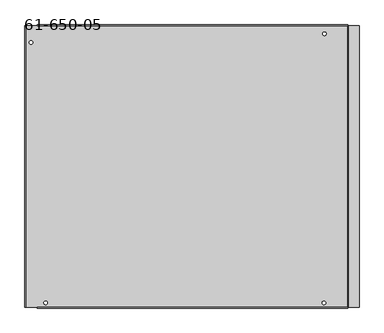
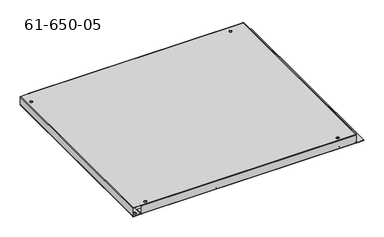
"""IFC4 building model written with IfcOpenShell, lengths in millimetres: proxy geometry, 61-650-05."""

from ifc_helpers import new_model, si_unit, frame, origin, place, context, project, spatial, polyline, circle_curve, source, transform, mapped, element, save
from ifc_brep_helpers import plane_surface, cylinder_surface, revolved_surface, advanced_brep


def proxy_61_650_05_2b84917c(model_context):
    return source(origin(), model_context, "Body", "AdvancedBrep", [
        advanced_brep(
        [(-50.4984142, 546.6549979, -26.32456), (-50.4984142, 546.6549979, -25.47112), (-57.7374142, 546.6549979, -25.47112), (-57.7374142, 546.6549979, -26.32456), (-50.4984142, 546.6549979, 0.0), (-50.4984142, 546.6549979, 0.85344), (-57.7374142, 546.6549979, 0.85344), (-57.7374142, 546.6549979, 0.0), (-51.3518542, 2.5615979, -26.32456), (-51.3518542, 2.5615979, -25.47112), (-58.5908542, 2.5615979, -25.47112), (-58.5908542, 2.5615979, -26.32456), (-51.3518542, 2.5615979, 0.0), (-51.3518542, 2.5615979, 0.85344), (-58.5908542, 2.5615979, 0.85344), (-58.5908542, 2.5615979, 0.0), (-643.7331942, 529.1950379, -26.32456), (-643.7331942, 529.1950379, -25.47112), (-650.9721942, 529.1950379, -25.47112), (-650.9721942, 529.1950379, -26.32456), (-643.7331942, 529.1950379, 0.0), (-643.7331942, 529.1950379, 0.85344), (-650.9721942, 529.1950379, 0.85344), (-650.9721942, 529.1950379, 0.0), (-613.9364542, 2.5615979, -26.32456), (-613.9364542, 2.5615979, -25.47112), (-621.1754542, 2.5615979, -25.47112), (-621.1754542, 2.5615979, -26.32456), (-613.9364542, 2.5615979, 0.0), (-613.9364542, 2.5615979, 0.85344), (-621.1754542, 2.5615979, 0.85344), (-621.1754542, 2.5615979, 0.0), (-121.7276342, 556.3182047, -25.47112), (-121.7276342, 556.3182047, -26.32456), (-112.2026342, 556.3182047, -26.32456), (-112.2026342, 556.3182047, -25.47112), (-434.2029381, 557.3585579, -25.47112), (-434.2029381, 557.3585579, -26.32456), (-424.6779381, 557.3585579, -26.32456), (-424.6779381, 557.3585579, -25.47112), (-653.6976142, 546.3451179, -25.47112), (-653.6976142, 546.3451179, -26.32456), (-644.1726142, 546.3451179, -26.32456), (-644.1726142, 546.3451179, -25.47112), (-653.6976142, 310.8109179, -25.47112), (-653.6976142, 310.8109179, -26.32456), (-644.1726142, 310.8109179, -26.32456), (-644.1726142, 310.8109179, -25.47112), (-650.0908142, 54.1108979, -25.47112), (-650.0908142, 54.1108979, -26.32456), (-640.5658142, 54.1108979, -26.32456), (-640.5658142, 54.1108979, -25.47112), (-578.1224542, 4.5834379, -25.47112), (-578.1224542, 4.5834379, -26.32456), (-568.5974542, 4.5834379, -26.32456), (-568.5974542, 4.5834379, -25.47112), (-489.2224542, 4.5834379, -25.47112), (-489.2224542, 4.5834379, -26.32456), (-479.6974542, 4.5834379, -26.32456), (-479.6974542, 4.5834379, -25.47112), (-422.8243142, -1.0502821, -25.47112), (-422.8243142, -1.0502821, -26.32456), (-413.2993142, -1.0502821, -26.32456), (-413.2993142, -1.0502821, -25.47112), (-270.9780342, 0.5285511, -25.47112), (-270.9780342, 0.5285511, -26.32456), (-261.4530342, 0.5285511, -26.32456), (-261.4530342, 0.5285511, -25.47112), (-152.4348456, 2.8816379, -25.47112), (-152.4348456, 2.8816379, -26.32456), (-142.9098456, 2.8816379, -26.32456), (-142.9098456, 2.8816379, -25.47112), (-407.5843142, -1.0502821, -25.47112), (-407.5843142, -1.0502821, -26.32456), (-398.0593142, -1.0502821, -26.32456), (-398.0593142, -1.0502821, -25.47112), (-468.9126142, 2.0434379, -25.47112), (-468.9126142, 2.0434379, -26.32456), (-459.3876142, 2.0434379, -26.32456), (-459.3876142, 2.0434379, -25.47112), (-598.4526142, 2.0434379, -25.47112), (-598.4526142, 2.0434379, -26.32456), (-588.9276142, 2.0434379, -26.32456), (-588.9276142, 2.0434379, -25.47112), (-653.6976142, 2.8867179, -25.47112), (-653.6976142, 2.8867179, -26.32456), (-644.1726142, 2.8867179, -26.32456), (-644.1726142, 2.8867179, -25.47112), (-650.0908142, 181.1108979, -25.47112), (-650.0908142, 181.1108979, -26.32456), (-640.5658142, 181.1108979, -26.32456), (-640.5658142, 181.1108979, -25.47112), (-653.6976142, 339.3859179, -25.47112), (-653.6976142, 339.3859179, -26.32456), (-644.1726142, 339.3859179, -26.32456), (-644.1726142, 339.3859179, -25.47112), (-286.8149342, 556.3182047, -25.47112), (-286.8149342, 556.3182047, -26.32456), (-277.2899342, 556.3182047, -26.32456), (-277.2899342, 556.3182047, -25.47112), (-655.415701, 234.0507371, -25.47112), (-655.415701, 234.0507371, -26.32456), (-645.890701, 234.0507371, -26.32456), (-645.890701, 234.0507371, -25.47112), (-520.0174142, 549.8147579, -25.47112), (-520.0174142, 549.8147579, -26.32456), (-510.4924142, 549.8147579, -26.32456), (-510.4924142, 549.8147579, -25.47112), (-591.1374142, 549.8147579, -25.47112), (-591.1374142, 549.8147579, -26.32456), (-581.6124142, 549.8147579, -26.32456), (-581.6124142, 549.8147579, -25.47112), (-162.8019742, 556.3080447, -25.47112), (-162.8019742, 556.3080447, -26.32456), (-153.2769742, 556.3080447, -26.32456), (-153.2769742, 556.3080447, -25.47112), (-322.7155694, 547.5707685, -26.32456), (-326.9918791, 553.5320618, -26.32456), (-326.9918791, 553.5320618, -25.47112), (-322.7155694, 547.5707685, -25.47112), (-319.252286, 559.0840276, -26.32456), (-314.9759764, 553.1227343, -26.32456), (-314.9759764, 553.1227343, -25.47112), (-319.252286, 559.0840276, -25.47112), (-634.8736742, 563.2615179, -26.32456), (-7.1482342, 563.2615179, -26.32456), (-7.1482342, 542.1083979, -26.32456), (-634.8736742, 542.1083979, -26.32456), (-447.9588044, 552.6536433, -26.32456), (-443.396548, 554.5196726, -26.32456), (-7.1482342, 563.2615179, -25.47112), (-634.8736742, 563.2615179, -25.47112), (-634.8736742, 542.1083979, -25.47112), (-7.1482342, 542.1083979, -25.47112), (-443.396548, 554.5196726, -25.47112), (-447.9588044, 552.6536433, -25.47112), (-4.5879142, 563.2615179, -26.32456), (-4.5879142, -6.4249221, -26.32456), (-6.2947942, -6.4249221, -24.61768), (-6.2947942, 563.2615179, -24.61768), (-4.5879142, 563.2615179, -25.47112), (16.5652058, 563.2615179, -25.47112), (16.5652058, 563.2615179, -26.32456), (-4.5879142, -6.4249221, -25.47112), (16.5652058, -6.4249221, -25.47112), (-5.4413542, -6.4249221, -24.61768), (-5.4413542, 563.2615179, -24.61768), (16.5652058, -6.4249221, -26.32456), (-6.2947942, 563.2615179, -0.85344), (-7.1482342, 563.2615179, 0.0), (-7.1482342, 563.2615179, 0.85344), (-5.4413542, 563.2615179, -0.85344), (-6.2947942, -6.4249221, -0.85344), (-634.8736742, -6.4249221, -26.32456), (-7.1482342, -6.4249221, -26.32456), (-7.1482342, -8.1318021, -24.61768), (-634.8736742, -8.1318021, -24.61768), (-634.8736742, -6.4249221, -25.47112), (-634.8736742, 14.7281979, -25.47112), (-634.8736742, 14.7281979, -26.32456), (-7.1482342, -6.4249221, -25.47112), (-7.1482342, 14.7281979, -25.47112), (-7.1482342, -7.2783621, -24.61768), (-634.8736742, -7.2783621, -24.61768), (-7.1482342, 14.7281979, -26.32456), (-634.8736742, 564.9683979, -24.61768), (-7.1482342, 564.9683979, -24.61768), (-634.8736742, 564.1149579, -24.61768), (-7.1482342, 564.1149579, -24.61768), (-658.2416742, 563.2615179, -26.32456), (-658.2416742, -6.4249221, -26.32456), (-659.9485542, -6.4249221, -24.61768), (-659.9485542, 563.2615179, -24.61768), (-658.2416742, 563.2615179, -25.47112), (-637.0885542, 563.2615179, -25.47112), (-637.0885542, 563.2615179, -26.32456), (-658.2416742, -6.4249221, -25.47112), (-637.0885542, -6.4249221, -25.47112), (-659.0951142, -6.4249221, -24.61768), (-659.0951142, 563.2615179, -24.61768), (-637.0885542, -6.4249221, -26.32456), (-634.8736742, -7.2783621, -0.85344), (-7.1482342, -7.2783621, -0.85344), (-7.1482342, 564.9683979, -0.85344), (-7.1482342, 564.1149579, -0.85344), (-634.8736742, 564.9683979, -0.85344), (-659.0951142, -6.4249221, -0.85344), (-658.2416742, -6.4249221, 0.0), (-634.8736742, -6.4249221, 0.0), (-634.8736742, -6.4249221, 0.85344), (-658.2416742, -6.4249221, 0.85344), (-659.9485542, -6.4249221, -0.85344), (-659.0951142, 563.2615179, -0.85344), (-659.9485542, 563.2615179, -0.85344), (-658.2416742, 563.2615179, 0.85344), (-634.8736742, 563.2615179, 0.85344), (-634.8736742, 563.2615179, 0.0), (-658.2416742, 563.2615179, 0.0), (-634.8736742, 564.1149579, -0.85344), (-634.8736742, -8.1318021, -0.85344), (-7.1482342, -6.4249221, 0.0), (-7.1482342, -8.1318021, -0.85344), (-7.1482342, -6.4249221, 0.85344), (-5.4413542, -6.4249221, -0.85344)],
        [
            (0, 1),
            (1, 2, circle_curve(frame((-54.1179142, 546.6549979, -25.47112), z_axis=(0.0, 0.0, 1.0), x_axis=(1.0, 0.0, 0.0)), 3.6195)),
            (2, 3),
            (3, 0, circle_curve(frame((-54.1179142, 546.6549979, -26.32456), z_axis=(0.0, 0.0, -1.0), x_axis=(1.0, 0.0, 0.0)), 3.6195)),
            (4, 5),
            (5, 6, circle_curve(frame((-54.1179142, 546.6549979, 0.85344), z_axis=(0.0, 0.0, 1.0), x_axis=(1.0, 0.0, 0.0)), 3.6195)),
            (6, 7),
            (7, 4, circle_curve(frame((-54.1179142, 546.6549979, 0.0), z_axis=(0.0, 0.0, -1.0), x_axis=(1.0, 0.0, 0.0)), 3.6195)),
            (8, 9),
            (9, 10, circle_curve(frame((-54.9713542, 2.5615979, -25.47112), z_axis=(0.0, 0.0, 1.0), x_axis=(1.0, 0.0, 0.0)), 3.6195)),
            (10, 11),
            (11, 8, circle_curve(frame((-54.9713542, 2.5615979, -26.32456), z_axis=(0.0, 0.0, -1.0), x_axis=(1.0, 0.0, 0.0)), 3.6195)),
            (12, 13),
            (13, 14, circle_curve(frame((-54.9713542, 2.5615979, 0.85344), z_axis=(0.0, 0.0, 1.0), x_axis=(1.0, 0.0, 0.0)), 3.6195)),
            (14, 15),
            (15, 12, circle_curve(frame((-54.9713542, 2.5615979, 0.0), z_axis=(0.0, 0.0, -1.0), x_axis=(1.0, 0.0, 0.0)), 3.6195)),
            (16, 17),
            (17, 18, circle_curve(frame((-647.3526942, 529.1950379, -25.47112), z_axis=(0.0, 0.0, 1.0), x_axis=(1.0, 0.0, 0.0)), 3.6195)),
            (18, 19),
            (19, 16, circle_curve(frame((-647.3526942, 529.1950379, -26.32456), z_axis=(0.0, 0.0, -1.0), x_axis=(1.0, 0.0, 0.0)), 3.6195)),
            (20, 21),
            (21, 22, circle_curve(frame((-647.3526942, 529.1950379, 0.85344), z_axis=(0.0, 0.0, 1.0), x_axis=(1.0, 0.0, 0.0)), 3.6195)),
            (22, 23),
            (23, 20, circle_curve(frame((-647.3526942, 529.1950379, 0.0), z_axis=(0.0, 0.0, -1.0), x_axis=(1.0, 0.0, 0.0)), 3.6195)),
            (24, 25),
            (25, 26, circle_curve(frame((-617.5559542, 2.5615979, -25.47112), z_axis=(0.0, 0.0, 1.0), x_axis=(1.0, 0.0, 0.0)), 3.6195)),
            (26, 27),
            (27, 24, circle_curve(frame((-617.5559542, 2.5615979, -26.32456), z_axis=(0.0, 0.0, -1.0), x_axis=(1.0, 0.0, 0.0)), 3.6195)),
            (28, 29),
            (29, 30, circle_curve(frame((-617.5559542, 2.5615979, 0.85344), z_axis=(0.0, 0.0, 1.0), x_axis=(1.0, 0.0, 0.0)), 3.6195)),
            (30, 31),
            (31, 28, circle_curve(frame((-617.5559542, 2.5615979, 0.0), z_axis=(0.0, 0.0, -1.0), x_axis=(1.0, 0.0, 0.0)), 3.6195)),
            (32, 33),
            (33, 34, circle_curve(frame((-116.9651342, 556.3182047, -26.32456), z_axis=(0.0, 0.0, -1.0), x_axis=(-1.0, 0.0, 0.0)), 4.7625)),
            (34, 35),
            (35, 32, circle_curve(frame((-116.9651342, 556.3182047, -25.47112), z_axis=(0.0, 0.0, 1.0), x_axis=(-1.0, 0.0, 0.0)), 4.7625)),
            (36, 37),
            (37, 38, circle_curve(frame((-429.4404381, 557.3585579, -26.32456), z_axis=(0.0, 0.0, -1.0), x_axis=(-1.0, 0.0, 0.0)), 4.7625)),
            (38, 39),
            (39, 36, circle_curve(frame((-429.4404381, 557.3585579, -25.47112), z_axis=(0.0, 0.0, 1.0), x_axis=(-1.0, 0.0, 0.0)), 4.7625)),
            (40, 41),
            (41, 42, circle_curve(frame((-648.9351142, 546.3451179, -26.32456), z_axis=(0.0, 0.0, -1.0), x_axis=(-1.0, 0.0, 0.0)), 4.7625)),
            (42, 43),
            (43, 40, circle_curve(frame((-648.9351142, 546.3451179, -25.47112), z_axis=(0.0, 0.0, 1.0), x_axis=(-1.0, 0.0, 0.0)), 4.7625)),
            (44, 45),
            (45, 46, circle_curve(frame((-648.9351142, 310.8109179, -26.32456), z_axis=(0.0, 0.0, -1.0), x_axis=(-1.0, 0.0, 0.0)), 4.7625)),
            (46, 47),
            (47, 44, circle_curve(frame((-648.9351142, 310.8109179, -25.47112), z_axis=(0.0, 0.0, 1.0), x_axis=(-1.0, 0.0, 0.0)), 4.7625)),
            (48, 49),
            (49, 50, circle_curve(frame((-645.3283142, 54.1108979, -26.32456), z_axis=(0.0, 0.0, -1.0), x_axis=(-1.0, 0.0, 0.0)), 4.7625)),
            (50, 51),
            (51, 48, circle_curve(frame((-645.3283142, 54.1108979, -25.47112), z_axis=(0.0, 0.0, 1.0), x_axis=(-1.0, 0.0, 0.0)), 4.7625)),
            (52, 53),
            (53, 54, circle_curve(frame((-573.3599542, 4.5834379, -26.32456), z_axis=(0.0, 0.0, -1.0), x_axis=(-1.0, 0.0, 0.0)), 4.7625)),
            (54, 55),
            (55, 52, circle_curve(frame((-573.3599542, 4.5834379, -25.47112), z_axis=(0.0, 0.0, 1.0), x_axis=(-1.0, 0.0, 0.0)), 4.7625)),
            (56, 57),
            (57, 58, circle_curve(frame((-484.4599542, 4.5834379, -26.32456), z_axis=(0.0, 0.0, -1.0), x_axis=(-1.0, 0.0, 0.0)), 4.7625)),
            (58, 59),
            (59, 56, circle_curve(frame((-484.4599542, 4.5834379, -25.47112), z_axis=(0.0, 0.0, 1.0), x_axis=(-1.0, 0.0, 0.0)), 4.7625)),
            (60, 61),
            (61, 62, circle_curve(frame((-418.0618142, -1.0502821, -26.32456), z_axis=(0.0, 0.0, -1.0), x_axis=(-1.0, 0.0, 0.0)), 4.7625)),
            (62, 63),
            (63, 60, circle_curve(frame((-418.0618142, -1.0502821, -25.47112), z_axis=(0.0, 0.0, 1.0), x_axis=(-1.0, 0.0, 0.0)), 4.7625)),
            (64, 65),
            (65, 66, circle_curve(frame((-266.2155342, 0.5285511, -26.32456), z_axis=(0.0, 0.0, -1.0), x_axis=(-1.0, 0.0, 0.0)), 4.7625)),
            (66, 67),
            (67, 64, circle_curve(frame((-266.2155342, 0.5285511, -25.47112), z_axis=(0.0, 0.0, 1.0), x_axis=(-1.0, 0.0, 0.0)), 4.7625)),
            (68, 69),
            (69, 70, circle_curve(frame((-147.6723456, 2.8816379, -26.32456), z_axis=(0.0, 0.0, -1.0), x_axis=(-1.0, 0.0, 0.0)), 4.7625)),
            (70, 71),
            (71, 68, circle_curve(frame((-147.6723456, 2.8816379, -25.47112), z_axis=(0.0, 0.0, 1.0), x_axis=(-1.0, 0.0, 0.0)), 4.7625)),
            (72, 73),
            (73, 74, circle_curve(frame((-402.8218142, -1.0502821, -26.32456), z_axis=(0.0, 0.0, -1.0), x_axis=(-1.0, 0.0, 0.0)), 4.7625)),
            (74, 75),
            (75, 72, circle_curve(frame((-402.8218142, -1.0502821, -25.47112), z_axis=(0.0, 0.0, 1.0), x_axis=(-1.0, 0.0, 0.0)), 4.7625)),
            (76, 77),
            (77, 78, circle_curve(frame((-464.1501142, 2.0434379, -26.32456), z_axis=(0.0, 0.0, -1.0), x_axis=(-1.0, 0.0, 0.0)), 4.7625)),
            (78, 79),
            (79, 76, circle_curve(frame((-464.1501142, 2.0434379, -25.47112), z_axis=(0.0, 0.0, 1.0), x_axis=(-1.0, 0.0, 0.0)), 4.7625)),
            (80, 81),
            (81, 82, circle_curve(frame((-593.6901142, 2.0434379, -26.32456), z_axis=(0.0, 0.0, -1.0), x_axis=(-1.0, 0.0, 0.0)), 4.7625)),
            (82, 83),
            (83, 80, circle_curve(frame((-593.6901142, 2.0434379, -25.47112), z_axis=(0.0, 0.0, 1.0), x_axis=(-1.0, 0.0, 0.0)), 4.7625)),
            (84, 85),
            (85, 86, circle_curve(frame((-648.9351142, 2.8867179, -26.32456), z_axis=(0.0, 0.0, -1.0), x_axis=(-1.0, 0.0, 0.0)), 4.7625)),
            (86, 87),
            (87, 84, circle_curve(frame((-648.9351142, 2.8867179, -25.47112), z_axis=(0.0, 0.0, 1.0), x_axis=(-1.0, 0.0, 0.0)), 4.7625)),
            (88, 89),
            (89, 90, circle_curve(frame((-645.3283142, 181.1108979, -26.32456), z_axis=(0.0, 0.0, -1.0), x_axis=(-1.0, 0.0, 0.0)), 4.7625)),
            (90, 91),
            (91, 88, circle_curve(frame((-645.3283142, 181.1108979, -25.47112), z_axis=(0.0, 0.0, 1.0), x_axis=(-1.0, 0.0, 0.0)), 4.7625)),
            (92, 93),
            (93, 94, circle_curve(frame((-648.9351142, 339.3859179, -26.32456), z_axis=(0.0, 0.0, -1.0), x_axis=(-1.0, 0.0, 0.0)), 4.7625)),
            (94, 95),
            (95, 92, circle_curve(frame((-648.9351142, 339.3859179, -25.47112), z_axis=(0.0, 0.0, 1.0), x_axis=(-1.0, 0.0, 0.0)), 4.7625)),
            (96, 97),
            (97, 98, circle_curve(frame((-282.0524342, 556.3182047, -26.32456), z_axis=(0.0, 0.0, -1.0), x_axis=(-1.0, 0.0, 0.0)), 4.7625)),
            (98, 99),
            (99, 96, circle_curve(frame((-282.0524342, 556.3182047, -25.47112), z_axis=(0.0, 0.0, 1.0), x_axis=(-1.0, 0.0, 0.0)), 4.7625)),
            (100, 101),
            (101, 102, circle_curve(frame((-650.653201, 234.0507371, -26.32456), z_axis=(0.0, 0.0, -1.0), x_axis=(-1.0, 0.0, 0.0)), 4.7625)),
            (102, 103),
            (103, 100, circle_curve(frame((-650.653201, 234.0507371, -25.47112), z_axis=(0.0, 0.0, 1.0), x_axis=(-1.0, 0.0, 0.0)), 4.7625)),
            (104, 105),
            (105, 106, circle_curve(frame((-515.2549142, 549.8147579, -26.32456), z_axis=(0.0, 0.0, -1.0), x_axis=(-1.0, 0.0, 0.0)), 4.7625)),
            (106, 107),
            (107, 104, circle_curve(frame((-515.2549142, 549.8147579, -25.47112), z_axis=(0.0, 0.0, 1.0), x_axis=(-1.0, 0.0, 0.0)), 4.7625)),
            (108, 109),
            (109, 110, circle_curve(frame((-586.3749142, 549.8147579, -26.32456), z_axis=(0.0, 0.0, -1.0), x_axis=(-1.0, 0.0, 0.0)), 4.7625)),
            (110, 111),
            (111, 108, circle_curve(frame((-586.3749142, 549.8147579, -25.47112), z_axis=(0.0, 0.0, 1.0), x_axis=(-1.0, 0.0, 0.0)), 4.7625)),
            (112, 113),
            (113, 114, circle_curve(frame((-158.0394742, 556.3080447, -26.32456), z_axis=(0.0, 0.0, -1.0), x_axis=(-1.0, 0.0, 0.0)), 4.7625)),
            (114, 115),
            (115, 112, circle_curve(frame((-158.0394742, 556.3080447, -25.47112), z_axis=(0.0, 0.0, 1.0), x_axis=(-1.0, 0.0, 0.0)), 4.7625)),
            (116, 117),
            (117, 118),
            (118, 119),
            (119, 116),
            (120, 121),
            (121, 122),
            (122, 123),
            (123, 120),
            (117, 120, circle_curve(frame((-323.1220826, 556.3080447, -26.32456), z_axis=(0.0, 0.0, -1.0), x_axis=(-1.0, 0.0, 0.0)), 4.7625)),
            (123, 118, circle_curve(frame((-323.1220826, 556.3080447, -25.47112), z_axis=(0.0, 0.0, 1.0), x_axis=(-1.0, 0.0, 0.0)), 4.7625)),
            (124, 125),
            (125, 126),
            (126, 127),
            (127, 124),
            (116, 121, circle_curve(frame((-318.8457729, 550.3467514, -26.32456), z_axis=(0.0, 0.0, 1.0), x_axis=(0.5828835484389648, -0.8125557020655267, 0.0)), 4.7625)),
            (3, 0, circle_curve(frame((-54.1179142, 546.6549979, -26.32456), z_axis=(0.0, 0.0, 1.0), x_axis=(1.0, 0.0, 0.0)), 3.6195)),
            (33, 34, circle_curve(frame((-116.9651342, 556.3182047, -26.32456), z_axis=(0.0, 0.0, 1.0), x_axis=(-1.0, 0.0, 0.0)), 4.7625)),
            (37, 38, circle_curve(frame((-429.4404381, 557.3585579, -26.32456), z_axis=(0.0, 0.0, 1.0), x_axis=(-1.0, 0.0, 0.0)), 4.7625)),
            (97, 98, circle_curve(frame((-282.0524342, 556.3182047, -26.32456), z_axis=(0.0, 0.0, 1.0), x_axis=(-1.0, 0.0, 0.0)), 4.7625)),
            (105, 106, circle_curve(frame((-515.2549142, 549.8147579, -26.32456), z_axis=(0.0, 0.0, 1.0), x_axis=(-1.0, 0.0, 0.0)), 4.7625)),
            (109, 110, circle_curve(frame((-586.3749142, 549.8147579, -26.32456), z_axis=(0.0, 0.0, 1.0), x_axis=(-1.0, 0.0, 0.0)), 4.7625)),
            (113, 114, circle_curve(frame((-158.0394742, 556.3080447, -26.32456), z_axis=(0.0, 0.0, 1.0), x_axis=(-1.0, 0.0, 0.0)), 4.7625)),
            (128, 129, circle_curve(frame((-444.1349142, 549.8147579, -26.32456), z_axis=(0.0, 0.0, 1.0), x_axis=(0.3785722960205258, -0.9255717242254905, 0.0)), 4.7625)),
            (129, 128, circle_curve(frame((-447.2204381, 557.3585579, -26.32456), z_axis=(0.0, 0.0, 1.0), x_axis=(-0.37857229602053694, 0.925571724225486, 0.0)), 4.7625)),
            (119, 122, circle_curve(frame((-318.8457729, 550.3467514, -25.47112), z_axis=(0.0, 0.0, 1.0), x_axis=(0.5828835484389648, -0.8125557020655267, 0.0)), 4.7625)),
            (130, 131),
            (131, 132),
            (132, 133),
            (133, 130),
            (1, 2, circle_curve(frame((-54.1179142, 546.6549979, -25.47112), z_axis=(0.0, 0.0, -1.0), x_axis=(1.0, 0.0, 0.0)), 3.6195)),
            (35, 32, circle_curve(frame((-116.9651342, 556.3182047, -25.47112), z_axis=(0.0, 0.0, -1.0), x_axis=(-1.0, 0.0, 0.0)), 4.7625)),
            (39, 36, circle_curve(frame((-429.4404381, 557.3585579, -25.47112), z_axis=(0.0, 0.0, -1.0), x_axis=(-1.0, 0.0, 0.0)), 4.7625)),
            (99, 96, circle_curve(frame((-282.0524342, 556.3182047, -25.47112), z_axis=(0.0, 0.0, -1.0), x_axis=(-1.0, 0.0, 0.0)), 4.7625)),
            (107, 104, circle_curve(frame((-515.2549142, 549.8147579, -25.47112), z_axis=(0.0, 0.0, -1.0), x_axis=(-1.0, 0.0, 0.0)), 4.7625)),
            (111, 108, circle_curve(frame((-586.3749142, 549.8147579, -25.47112), z_axis=(0.0, 0.0, -1.0), x_axis=(-1.0, 0.0, 0.0)), 4.7625)),
            (115, 112, circle_curve(frame((-158.0394742, 556.3080447, -25.47112), z_axis=(0.0, 0.0, -1.0), x_axis=(-1.0, 0.0, 0.0)), 4.7625)),
            (134, 135, circle_curve(frame((-444.1349142, 549.8147579, -25.47112), z_axis=(0.0, 0.0, -1.0), x_axis=(0.3785722960205258, -0.9255717242254905, 0.0)), 4.7625)),
            (135, 134, circle_curve(frame((-447.2204381, 557.3585579, -25.47112), z_axis=(0.0, 0.0, -1.0), x_axis=(-0.37857229602053694, 0.925571724225486, 0.0)), 4.7625)),
            (134, 129),
            (128, 135),
            (100, 103, circle_curve(frame((-650.653201, 234.0507371, -25.47112), z_axis=(0.0, 0.0, 1.0), x_axis=(-1.0, 0.0, 0.0)), 4.7625)),
            (102, 101, circle_curve(frame((-650.653201, 234.0507371, -26.32456), z_axis=(0.0, 0.0, -1.0), x_axis=(-1.0, 0.0, 0.0)), 4.7625)),
            (92, 95, circle_curve(frame((-648.9351142, 339.3859179, -25.47112), z_axis=(0.0, 0.0, 1.0), x_axis=(-1.0, 0.0, 0.0)), 4.7625)),
            (94, 93, circle_curve(frame((-648.9351142, 339.3859179, -26.32456), z_axis=(0.0, 0.0, -1.0), x_axis=(-1.0, 0.0, 0.0)), 4.7625)),
            (88, 91, circle_curve(frame((-645.3283142, 181.1108979, -25.47112), z_axis=(0.0, 0.0, 1.0), x_axis=(-1.0, 0.0, 0.0)), 4.7625)),
            (90, 89, circle_curve(frame((-645.3283142, 181.1108979, -26.32456), z_axis=(0.0, 0.0, -1.0), x_axis=(-1.0, 0.0, 0.0)), 4.7625)),
            (84, 87, circle_curve(frame((-648.9351142, 2.8867179, -25.47112), z_axis=(0.0, 0.0, 1.0), x_axis=(-1.0, 0.0, 0.0)), 4.7625)),
            (86, 85, circle_curve(frame((-648.9351142, 2.8867179, -26.32456), z_axis=(0.0, 0.0, -1.0), x_axis=(-1.0, 0.0, 0.0)), 4.7625)),
            (80, 83, circle_curve(frame((-593.6901142, 2.0434379, -25.47112), z_axis=(0.0, 0.0, 1.0), x_axis=(-1.0, 0.0, 0.0)), 4.7625)),
            (82, 81, circle_curve(frame((-593.6901142, 2.0434379, -26.32456), z_axis=(0.0, 0.0, -1.0), x_axis=(-1.0, 0.0, 0.0)), 4.7625)),
            (76, 79, circle_curve(frame((-464.1501142, 2.0434379, -25.47112), z_axis=(0.0, 0.0, 1.0), x_axis=(-1.0, 0.0, 0.0)), 4.7625)),
            (78, 77, circle_curve(frame((-464.1501142, 2.0434379, -26.32456), z_axis=(0.0, 0.0, -1.0), x_axis=(-1.0, 0.0, 0.0)), 4.7625)),
            (72, 75, circle_curve(frame((-402.8218142, -1.0502821, -25.47112), z_axis=(0.0, 0.0, 1.0), x_axis=(-1.0, 0.0, 0.0)), 4.7625)),
            (74, 73, circle_curve(frame((-402.8218142, -1.0502821, -26.32456), z_axis=(0.0, 0.0, -1.0), x_axis=(-1.0, 0.0, 0.0)), 4.7625)),
            (68, 71, circle_curve(frame((-147.6723456, 2.8816379, -25.47112), z_axis=(0.0, 0.0, 1.0), x_axis=(-1.0, 0.0, 0.0)), 4.7625)),
            (70, 69, circle_curve(frame((-147.6723456, 2.8816379, -26.32456), z_axis=(0.0, 0.0, -1.0), x_axis=(-1.0, 0.0, 0.0)), 4.7625)),
            (64, 67, circle_curve(frame((-266.2155342, 0.5285511, -25.47112), z_axis=(0.0, 0.0, 1.0), x_axis=(-1.0, 0.0, 0.0)), 4.7625)),
            (66, 65, circle_curve(frame((-266.2155342, 0.5285511, -26.32456), z_axis=(0.0, 0.0, -1.0), x_axis=(-1.0, 0.0, 0.0)), 4.7625)),
            (60, 63, circle_curve(frame((-418.0618142, -1.0502821, -25.47112), z_axis=(0.0, 0.0, 1.0), x_axis=(-1.0, 0.0, 0.0)), 4.7625)),
            (62, 61, circle_curve(frame((-418.0618142, -1.0502821, -26.32456), z_axis=(0.0, 0.0, -1.0), x_axis=(-1.0, 0.0, 0.0)), 4.7625)),
            (56, 59, circle_curve(frame((-484.4599542, 4.5834379, -25.47112), z_axis=(0.0, 0.0, 1.0), x_axis=(-1.0, 0.0, 0.0)), 4.7625)),
            (58, 57, circle_curve(frame((-484.4599542, 4.5834379, -26.32456), z_axis=(0.0, 0.0, -1.0), x_axis=(-1.0, 0.0, 0.0)), 4.7625)),
            (52, 55, circle_curve(frame((-573.3599542, 4.5834379, -25.47112), z_axis=(0.0, 0.0, 1.0), x_axis=(-1.0, 0.0, 0.0)), 4.7625)),
            (54, 53, circle_curve(frame((-573.3599542, 4.5834379, -26.32456), z_axis=(0.0, 0.0, -1.0), x_axis=(-1.0, 0.0, 0.0)), 4.7625)),
            (48, 51, circle_curve(frame((-645.3283142, 54.1108979, -25.47112), z_axis=(0.0, 0.0, 1.0), x_axis=(-1.0, 0.0, 0.0)), 4.7625)),
            (50, 49, circle_curve(frame((-645.3283142, 54.1108979, -26.32456), z_axis=(0.0, 0.0, -1.0), x_axis=(-1.0, 0.0, 0.0)), 4.7625)),
            (44, 47, circle_curve(frame((-648.9351142, 310.8109179, -25.47112), z_axis=(0.0, 0.0, 1.0), x_axis=(-1.0, 0.0, 0.0)), 4.7625)),
            (46, 45, circle_curve(frame((-648.9351142, 310.8109179, -26.32456), z_axis=(0.0, 0.0, -1.0), x_axis=(-1.0, 0.0, 0.0)), 4.7625)),
            (40, 43, circle_curve(frame((-648.9351142, 546.3451179, -25.47112), z_axis=(0.0, 0.0, 1.0), x_axis=(-1.0, 0.0, 0.0)), 4.7625)),
            (42, 41, circle_curve(frame((-648.9351142, 546.3451179, -26.32456), z_axis=(0.0, 0.0, -1.0), x_axis=(-1.0, 0.0, 0.0)), 4.7625)),
            (28, 31, circle_curve(frame((-617.5559542, 2.5615979, 0.0), z_axis=(0.0, 0.0, -1.0), x_axis=(1.0, 0.0, 0.0)), 3.6195)),
            (30, 29, circle_curve(frame((-617.5559542, 2.5615979, 0.85344), z_axis=(0.0, 0.0, 1.0), x_axis=(1.0, 0.0, 0.0)), 3.6195)),
            (24, 27, circle_curve(frame((-617.5559542, 2.5615979, -26.32456), z_axis=(0.0, 0.0, -1.0), x_axis=(1.0, 0.0, 0.0)), 3.6195)),
            (26, 25, circle_curve(frame((-617.5559542, 2.5615979, -25.47112), z_axis=(0.0, 0.0, 1.0), x_axis=(1.0, 0.0, 0.0)), 3.6195)),
            (20, 23, circle_curve(frame((-647.3526942, 529.1950379, 0.0), z_axis=(0.0, 0.0, -1.0), x_axis=(1.0, 0.0, 0.0)), 3.6195)),
            (22, 21, circle_curve(frame((-647.3526942, 529.1950379, 0.85344), z_axis=(0.0, 0.0, 1.0), x_axis=(1.0, 0.0, 0.0)), 3.6195)),
            (16, 19, circle_curve(frame((-647.3526942, 529.1950379, -26.32456), z_axis=(0.0, 0.0, -1.0), x_axis=(1.0, 0.0, 0.0)), 3.6195)),
            (18, 17, circle_curve(frame((-647.3526942, 529.1950379, -25.47112), z_axis=(0.0, 0.0, 1.0), x_axis=(1.0, 0.0, 0.0)), 3.6195)),
            (12, 15, circle_curve(frame((-54.9713542, 2.5615979, 0.0), z_axis=(0.0, 0.0, -1.0), x_axis=(1.0, 0.0, 0.0)), 3.6195)),
            (14, 13, circle_curve(frame((-54.9713542, 2.5615979, 0.85344), z_axis=(0.0, 0.0, 1.0), x_axis=(1.0, 0.0, 0.0)), 3.6195)),
            (8, 11, circle_curve(frame((-54.9713542, 2.5615979, -26.32456), z_axis=(0.0, 0.0, -1.0), x_axis=(1.0, 0.0, 0.0)), 3.6195)),
            (10, 9, circle_curve(frame((-54.9713542, 2.5615979, -25.47112), z_axis=(0.0, 0.0, 1.0), x_axis=(1.0, 0.0, 0.0)), 3.6195)),
            (4, 7, circle_curve(frame((-54.1179142, 546.6549979, 0.0), z_axis=(0.0, 0.0, -1.0), x_axis=(1.0, 0.0, 0.0)), 3.6195)),
            (6, 5, circle_curve(frame((-54.1179142, 546.6549979, 0.85344), z_axis=(0.0, 0.0, 1.0), x_axis=(1.0, 0.0, 0.0)), 3.6195)),
            (136, 137),
            (137, 138, circle_curve(frame((-4.5879142, -6.4249221, -24.61768), z_axis=(0.0, 1.0, 0.0), x_axis=(-1.0, 0.0, 0.0)), 1.70688)),
            (138, 139),
            (139, 136, circle_curve(frame((-4.5879142, 563.2615179, -24.61768), z_axis=(0.0, -1.0, 0.0), x_axis=(-1.0, 0.0, 0.0)), 1.70688)),
            (136, 140),
            (140, 141),
            (141, 142),
            (142, 136),
            (140, 143),
            (143, 144),
            (144, 141),
            (137, 143),
            (143, 145, circle_curve(frame((-4.5879142, -6.4249221, -24.61768), z_axis=(0.0, 1.0, 0.0), x_axis=(-1.0, 0.0, 0.0)), 0.85344)),
            (145, 138),
            (139, 146),
            (146, 140, circle_curve(frame((-4.5879142, 563.2615179, -24.61768), z_axis=(0.0, -1.0, 0.0), x_axis=(-1.0, 0.0, 0.0)), 0.85344)),
            (137, 147),
            (147, 144),
            (147, 142),
            (146, 145),
            (139, 148),
            (148, 149, circle_curve(frame((-7.1482342, 563.2615179, -0.85344), z_axis=(0.0, -1.0, 0.0), x_axis=(0.0, 0.0, 1.0)), 0.85344)),
            (149, 150),
            (150, 151, circle_curve(frame((-7.1482342, 563.2615179, -0.85344), z_axis=(0.0, 1.0, 0.0), x_axis=(0.0, 0.0, 1.0)), 1.70688)),
            (151, 146),
            (138, 152),
            (152, 148),
            (153, 154),
            (154, 155, circle_curve(frame((-7.1482342, -6.4249221, -24.61768), z_axis=(-1.0, 0.0, 0.0), x_axis=(0.0, -1.0, 0.0)), 1.70688)),
            (155, 156),
            (156, 153, circle_curve(frame((-634.8736742, -6.4249221, -24.61768), z_axis=(1.0, 0.0, 0.0), x_axis=(0.0, -1.0, 0.0)), 1.70688)),
            (153, 157),
            (157, 158),
            (158, 159),
            (159, 153),
            (157, 160),
            (160, 161),
            (161, 158),
            (154, 160),
            (160, 162, circle_curve(frame((-7.1482342, -6.4249221, -24.61768), z_axis=(-1.0, 0.0, 0.0), x_axis=(0.0, -1.0, 0.0)), 0.85344)),
            (162, 155),
            (156, 163),
            (163, 157, circle_curve(frame((-634.8736742, -6.4249221, -24.61768), z_axis=(1.0, 0.0, 0.0), x_axis=(0.0, -1.0, 0.0)), 0.85344)),
            (154, 164),
            (164, 161),
            (164, 159),
            (163, 162),
            (124, 165, circle_curve(frame((-634.8736742, 563.2615179, -24.61768), z_axis=(1.0, 0.0, 0.0), x_axis=(0.0, 1.0, 0.0)), 1.70688)),
            (165, 166),
            (166, 125, circle_curve(frame((-7.1482342, 563.2615179, -24.61768), z_axis=(-1.0, 0.0, 0.0), x_axis=(0.0, 1.0, 0.0)), 1.70688)),
            (125, 130),
            (133, 126),
            (124, 131),
            (131, 167, circle_curve(frame((-634.8736742, 563.2615179, -24.61768), z_axis=(1.0, 0.0, 0.0), x_axis=(0.0, 1.0, 0.0)), 0.85344)),
            (167, 165),
            (166, 168),
            (168, 130, circle_curve(frame((-7.1482342, 563.2615179, -24.61768), z_axis=(-1.0, 0.0, 0.0), x_axis=(0.0, 1.0, 0.0)), 0.85344)),
            (127, 132),
            (168, 167),
            (169, 170),
            (170, 171, circle_curve(frame((-658.2416742, -6.4249221, -24.61768), z_axis=(0.0, 1.0, 0.0), x_axis=(-1.0, 0.0, 0.0)), 1.70688)),
            (171, 172),
            (172, 169, circle_curve(frame((-658.2416742, 563.2615179, -24.61768), z_axis=(0.0, -1.0, 0.0), x_axis=(-1.0, 0.0, 0.0)), 1.70688)),
            (169, 173),
            (173, 174),
            (174, 175),
            (175, 169),
            (173, 176),
            (176, 177),
            (177, 174),
            (170, 176),
            (176, 178, circle_curve(frame((-658.2416742, -6.4249221, -24.61768), z_axis=(0.0, 1.0, 0.0), x_axis=(-1.0, 0.0, 0.0)), 0.85344)),
            (178, 171),
            (172, 179),
            (179, 173, circle_curve(frame((-658.2416742, 563.2615179, -24.61768), z_axis=(0.0, -1.0, 0.0), x_axis=(-1.0, 0.0, 0.0)), 0.85344)),
            (170, 180),
            (180, 177),
            (180, 175),
            (179, 178),
            (163, 181),
            (181, 182),
            (182, 162),
            (166, 183),
            (183, 184),
            (184, 168),
            (165, 185),
            (185, 183),
            (178, 186),
            (186, 187, circle_curve(frame((-658.2416742, -6.4249221, -0.85344), z_axis=(0.0, 1.0, 0.0), x_axis=(0.0, 0.0, 1.0)), 0.85344)),
            (187, 188),
            (188, 189),
            (189, 190),
            (190, 191, circle_curve(frame((-658.2416742, -6.4249221, -0.85344), z_axis=(0.0, -1.0, 0.0), x_axis=(0.0, 0.0, 1.0)), 1.70688)),
            (191, 171),
            (179, 192),
            (192, 186),
            (172, 193),
            (193, 194, circle_curve(frame((-658.2416742, 563.2615179, -0.85344), z_axis=(0.0, 1.0, 0.0), x_axis=(0.0, 0.0, 1.0)), 1.70688)),
            (194, 195),
            (195, 196),
            (196, 197),
            (197, 192, circle_curve(frame((-658.2416742, 563.2615179, -0.85344), z_axis=(0.0, -1.0, 0.0), x_axis=(0.0, 0.0, 1.0)), 0.85344)),
            (167, 198),
            (198, 196, circle_curve(frame((-634.8736742, 563.2615179, -0.85344), z_axis=(1.0, 0.0, 0.0), x_axis=(0.0, 0.0, 1.0)), 0.85344)),
            (195, 185, circle_curve(frame((-634.8736742, 563.2615179, -0.85344), z_axis=(-1.0, 0.0, 0.0), x_axis=(0.0, 0.0, 1.0)), 1.70688)),
            (156, 199),
            (199, 189, circle_curve(frame((-634.8736742, -6.4249221, -0.85344), z_axis=(-1.0, 0.0, 0.0), x_axis=(0.0, 0.0, 1.0)), 1.70688)),
            (188, 181, circle_curve(frame((-634.8736742, -6.4249221, -0.85344), z_axis=(1.0, 0.0, 0.0), x_axis=(0.0, 0.0, 1.0)), 0.85344)),
            (195, 150),
            (150, 183, circle_curve(frame((-7.1482342, 563.2615179, -0.85344), z_axis=(-1.0, 0.0, 0.0), x_axis=(0.0, 0.0, 1.0)), 1.70688)),
            (188, 200),
            (200, 182, circle_curve(frame((-7.1482342, -6.4249221, -0.85344), z_axis=(1.0, 0.0, 0.0), x_axis=(0.0, 0.0, 1.0)), 0.85344)),
            (199, 201),
            (201, 202, circle_curve(frame((-7.1482342, -6.4249221, -0.85344), z_axis=(-1.0, 0.0, 0.0), x_axis=(0.0, 0.0, 1.0)), 1.70688)),
            (202, 189),
            (201, 182),
            (200, 202),
            (201, 155),
            (184, 198),
            (149, 184, circle_curve(frame((-7.1482342, 563.2615179, -0.85344), z_axis=(-1.0, 0.0, 0.0), x_axis=(0.0, 0.0, 1.0)), 0.85344)),
            (149, 196),
            (190, 194),
            (193, 191),
            (152, 200, circle_curve(frame((-7.1482342, -6.4249221, -0.85344), z_axis=(0.0, -1.0, 0.0), x_axis=(0.0, 0.0, 1.0)), 0.85344)),
            (200, 149),
            (202, 203, circle_curve(frame((-7.1482342, -6.4249221, -0.85344), z_axis=(0.0, 1.0, 0.0), x_axis=(0.0, 0.0, 1.0)), 1.70688)),
            (203, 151),
            (150, 202),
            (197, 187),
            (145, 203),
        ],
        [
            revolved_surface(polyline([(-50.4984142, 546.6549979, -25.47112000000004), (-50.4984142, 546.6549979, -26.32456000000002)]), (-54.1179142, 546.6549979, -886.1941069), (0.0, 0.0, 1.0)),
            revolved_surface(polyline([(-50.4984142, 546.6549979, 0.8534399999999778), (-50.4984142, 546.6549979, 0.0)]), (-54.1179142, 546.6549979, -886.1941069), (0.0, 0.0, 1.0)),
            revolved_surface(polyline([(-51.3518542, 2.5615979, -25.47112000000004), (-51.3518542, 2.5615979, -26.32456000000002)]), (-54.9713542, 2.5615979, -886.1941069), (0.0, 0.0, 1.0)),
            revolved_surface(polyline([(-51.3518542, 2.5615979, 0.8534399999999778), (-51.3518542, 2.5615979, 0.0)]), (-54.9713542, 2.5615979, -886.1941069), (0.0, 0.0, 1.0)),
            revolved_surface(polyline([(-643.7331942, 529.1950379, -25.47112000000004), (-643.7331942, 529.1950379, -26.32456000000002)]), (-647.3526942, 529.1950379, -886.1941069), (0.0, 0.0, 1.0)),
            revolved_surface(polyline([(-643.7331942, 529.1950379, 0.8534399999999778), (-643.7331942, 529.1950379, 0.0)]), (-647.3526942, 529.1950379, -886.1941069), (0.0, 0.0, 1.0)),
            revolved_surface(polyline([(-613.9364542, 2.5615979, -25.47112000000004), (-613.9364542, 2.5615979, -26.32456000000002)]), (-617.5559542, 2.5615979, -886.1941069), (0.0, 0.0, 1.0)),
            revolved_surface(polyline([(-613.9364542, 2.5615979, 0.8534399999999778), (-613.9364542, 2.5615979, 0.0)]), (-617.5559542, 2.5615979, -886.1941069), (0.0, 0.0, 1.0)),
            revolved_surface(polyline([(-121.7276342, 556.3182047, -26.32456), (-121.7276342, 556.3182047, -25.47112)]), (-116.9651342, 556.3182047, -25.89784), (0.0, 0.0, -1.0)),
            revolved_surface(polyline([(-434.2029381, 557.3585579, -26.32456), (-434.2029381, 557.3585579, -25.47112)]), (-429.4404381, 557.3585579, -25.89784), (0.0, 0.0, -1.0)),
            revolved_surface(polyline([(-653.6976142000001, 546.3451179, -26.32456), (-653.6976142000001, 546.3451179, -25.47112)]), (-648.9351142, 546.3451179, -25.89784), (0.0, 0.0, -1.0)),
            revolved_surface(polyline([(-653.6976142000001, 310.8109179, -26.32456), (-653.6976142000001, 310.8109179, -25.47112)]), (-648.9351142, 310.8109179, -25.89784), (0.0, 0.0, -1.0)),
            revolved_surface(polyline([(-650.0908142000001, 54.1108979, -26.32456), (-650.0908142000001, 54.1108979, -25.47112)]), (-645.3283142, 54.1108979, -25.89784), (0.0, 0.0, -1.0)),
            revolved_surface(polyline([(-578.1224542, 4.5834379, -26.32456), (-578.1224542, 4.5834379, -25.47112)]), (-573.3599542, 4.5834379, -25.89784), (0.0, 0.0, -1.0)),
            revolved_surface(polyline([(-489.2224542, 4.5834379, -26.32456), (-489.2224542, 4.5834379, -25.47112)]), (-484.4599542, 4.5834379, -25.89784), (0.0, 0.0, -1.0)),
            revolved_surface(polyline([(-422.8243142, -1.0502821, -26.32456), (-422.8243142, -1.0502821, -25.47112)]), (-418.0618142, -1.0502821, -25.89784), (0.0, 0.0, -1.0)),
            revolved_surface(polyline([(-270.97803419999997, 0.5285511, -26.32456), (-270.97803419999997, 0.5285511, -25.47112)]), (-266.2155342, 0.5285511, -25.89784), (0.0, 0.0, -1.0)),
            revolved_surface(polyline([(-152.4348456, 2.8816379, -26.32456), (-152.4348456, 2.8816379, -25.47112)]), (-147.6723456, 2.8816379, -25.89784), (0.0, 0.0, -1.0)),
            revolved_surface(polyline([(-407.5843142, -1.0502821, -26.32456), (-407.5843142, -1.0502821, -25.47112)]), (-402.8218142, -1.0502821, -25.89784), (0.0, 0.0, -1.0)),
            revolved_surface(polyline([(-468.9126142, 2.0434379, -26.32456), (-468.9126142, 2.0434379, -25.47112)]), (-464.1501142, 2.0434379, -25.89784), (0.0, 0.0, -1.0)),
            revolved_surface(polyline([(-598.4526142000001, 2.0434379, -26.32456), (-598.4526142000001, 2.0434379, -25.47112)]), (-593.6901142, 2.0434379, -25.89784), (0.0, 0.0, -1.0)),
            revolved_surface(polyline([(-653.6976142000001, 2.8867179, -26.32456), (-653.6976142000001, 2.8867179, -25.47112)]), (-648.9351142, 2.8867179, -25.89784), (0.0, 0.0, -1.0)),
            revolved_surface(polyline([(-650.0908142000001, 181.1108979, -26.32456), (-650.0908142000001, 181.1108979, -25.47112)]), (-645.3283142, 181.1108979, -25.89784), (0.0, 0.0, -1.0)),
            revolved_surface(polyline([(-653.6976142000001, 339.3859179, -26.32456), (-653.6976142000001, 339.3859179, -25.47112)]), (-648.9351142, 339.3859179, -25.89784), (0.0, 0.0, -1.0)),
            revolved_surface(polyline([(-286.8149342, 556.3182047, -26.32456), (-286.8149342, 556.3182047, -25.47112)]), (-282.0524342, 556.3182047, -25.89784), (0.0, 0.0, -1.0)),
            revolved_surface(polyline([(-655.415701, 234.0507371, -26.32456), (-655.415701, 234.0507371, -25.47112)]), (-650.653201, 234.0507371, -25.89784), (0.0, 0.0, -1.0)),
            revolved_surface(polyline([(-520.0174142000001, 549.8147579, -26.32456), (-520.0174142000001, 549.8147579, -25.47112)]), (-515.2549142, 549.8147579, -25.89784), (0.0, 0.0, -1.0)),
            revolved_surface(polyline([(-591.1374142000001, 549.8147579, -26.32456), (-591.1374142000001, 549.8147579, -25.47112)]), (-586.3749142, 549.8147579, -25.89784), (0.0, 0.0, -1.0)),
            revolved_surface(polyline([(-162.8019742, 556.3080447, -26.32456), (-162.8019742, 556.3080447, -25.47112)]), (-158.0394742, 556.3080447, -25.89784), (0.0, 0.0, -1.0)),
            plane_surface(frame((-326.9918791, 553.5320618, -26.32456), z_axis=(0.8125557020685353, 0.5828835484347707, 0.0), x_axis=(0.5828835484347707, -0.8125557020685353, 0.0))),
            plane_surface(frame((-314.9759764, 553.1227343, -26.32456), z_axis=(-0.8125557020625248, -0.5828835484431496, 0.0), x_axis=(-0.5828835484431496, 0.8125557020625248, 0.0))),
            revolved_surface(polyline([(-327.8845826, 556.3080447, -26.32456), (-327.8845826, 556.3080447, -25.47112)]), (-323.1220826, 556.3080447, -25.89784), (0.0, 0.0, -1.0)),
            plane_surface(frame((-321.0109542, 553.6501758, -26.32456), z_axis=(0.0, 0.0, -1.0), x_axis=(0.0, 1.0, 0.0))),
            revolved_surface(polyline([(-316.0697900005594, 546.4769548689129, -26.32456), (-316.0697900005594, 546.4769548689129, -25.47112)]), (-318.8457729, 550.3467514, -25.89784), (0.0, 0.0, -1.0000000000000002)),
            plane_surface(frame((-321.0109542, 553.6501758, -25.47112), z_axis=(0.0, 0.0, 1.0), x_axis=(0.0, 1.0, 0.0))),
            revolved_surface(polyline([(-442.3319636402023, 545.4067225633761, -26.32456), (-442.3319636402023, 545.4067225633761, -25.47112)]), (-444.1349142, 549.8147579, -25.89784), (0.0, 0.0, -1.0)),
            revolved_surface(polyline([(-449.02338865979783, 561.766593236624, -26.32456), (-449.02338865979783, 561.766593236624, -25.47112)]), (-447.2204381, 557.3585579, -25.89784), (0.0, 0.0, -1.0)),
            cylinder_surface(frame((-4.5879142, 278.4182979, -24.61768), z_axis=(0.0, -1.0, 0.0), x_axis=(-1.0, 0.0, 0.0)), 1.70688),
            plane_surface(frame((-4.5879142, 563.2615179, -25.47112), z_axis=(0.0, 1.0, 0.0), x_axis=(-1.0, 0.0, 0.0))),
            plane_surface(frame((5.0234279, 278.4182979, -25.47112), z_axis=(0.0, 0.0, 1.0), x_axis=(1.0, 0.0, 0.0))),
            plane_surface(frame((-4.5879142, -6.4249221, -25.47112), z_axis=(0.0, -1.0, 0.0), x_axis=(0.0, 0.0, -1.0))),
            plane_surface(frame((-4.5879142, 563.2615179, -26.32456), z_axis=(0.0, 1.0, 0.0), x_axis=(0.0, 0.0, 1.0))),
            plane_surface(frame((-4.5879142, -6.4249221, -25.47112), z_axis=(0.0, -1.0, 0.0), x_axis=(1.0, 0.0, 0.0))),
            plane_surface(frame((16.5652058, -6.4249221, -25.47112), z_axis=(1.0, 0.0, 0.0), x_axis=(0.0, 0.0, -1.0))),
            plane_surface(frame((5.0234279, 278.4182979, -26.32456), z_axis=(0.0, 0.0, -1.0), x_axis=(1.0, 0.0, 0.0))),
            revolved_surface(polyline([(-5.4413542, -6.424922100000003, -24.61768), (-5.4413542, 563.2615179, -24.61768)]), (-4.5879142, 278.4182979, -24.61768), (0.0, -1.0, 0.0)),
            plane_surface(frame((-6.2947942, 563.2615179, -0.85344), z_axis=(0.0, 1.0, 0.0), x_axis=(1.0, 0.0, 0.0))),
            plane_surface(frame((-6.2947942, 278.4182979, -12.6237821), z_axis=(-1.0, 0.0, 0.0), x_axis=(0.0, 0.0, -1.0))),
            cylinder_surface(frame((-321.0109542, -6.4249221, -24.61768), z_axis=(1.0, 0.0, 0.0), x_axis=(0.0, -1.0, 0.0)), 1.70688),
            plane_surface(frame((-634.8736742, -6.4249221, -25.47112), z_axis=(-1.0, 0.0, 0.0), x_axis=(0.0, -1.0, 0.0))),
            plane_surface(frame((-321.0109542, 3.18642, -25.47112), z_axis=(0.0, 0.0, 1.0), x_axis=(0.0, -1.0, 0.0))),
            plane_surface(frame((-7.1482342, -6.4249221, -25.47112), z_axis=(1.0, 0.0, 0.0), x_axis=(0.0, 0.0, -1.0))),
            plane_surface(frame((-634.8736742, -6.4249221, -26.32456), z_axis=(-1.0, 0.0, 0.0), x_axis=(0.0, 0.0, 1.0))),
            plane_surface(frame((-7.1482342, -6.4249221, -25.47112), z_axis=(1.0, 0.0, 0.0), x_axis=(0.0, 1.0, 0.0))),
            plane_surface(frame((-7.1482342, 14.7281979, -25.47112), z_axis=(0.0, 1.0, 0.0), x_axis=(-1.0, 0.0, 0.0))),
            plane_surface(frame((-321.0109542, 3.18642, -26.32456), z_axis=(0.0, 0.0, -1.0), x_axis=(0.0, -1.0, 0.0))),
            revolved_surface(polyline([(-7.14823419999999, -7.2783621, -24.61768), (-634.8736742, -7.2783621, -24.61768)]), (-321.0109542, -6.4249221, -24.61768), (1.0, 0.0, 0.0)),
            cylinder_surface(frame((-321.0109542, 563.2615179, -24.61768), z_axis=(-1.0, 0.0, 0.0), x_axis=(0.0, 1.0, 0.0)), 1.70688),
            plane_surface(frame((-7.1482342, 563.2615179, -25.47112), z_axis=(1.0, 0.0, 0.0), x_axis=(0.0, -1.0, 0.0))),
            plane_surface(frame((-634.8736742, 563.2615179, -25.47112), z_axis=(-1.0, 0.0, 0.0), x_axis=(0.0, 0.0, 1.0))),
            plane_surface(frame((-7.1482342, 563.2615179, -26.32456), z_axis=(1.0, 0.0, 0.0), x_axis=(0.0, 0.0, -1.0))),
            plane_surface(frame((-634.8736742, 563.2615179, -25.47112), z_axis=(-1.0, 0.0, 0.0), x_axis=(0.0, 1.0, 0.0))),
            plane_surface(frame((-634.8736742, 542.1083979, -25.47112), z_axis=(0.0, -1.0, 0.0), x_axis=(-1.0, 0.0, 0.0))),
            revolved_surface(polyline([(-634.8736742, 564.1149578999999, -24.61768), (-7.14823419999999, 564.1149578999999, -24.61768)]), (-321.0109542, 563.2615179, -24.61768), (-1.0, 0.0, 0.0)),
            cylinder_surface(frame((-658.2416742, 278.4182979, -24.61768), z_axis=(0.0, -1.0, 0.0), x_axis=(-1.0, 0.0, 0.0)), 1.70688),
            plane_surface(frame((-658.2416742, 563.2615179, -25.47112), z_axis=(0.0, 1.0, 0.0), x_axis=(-1.0, 0.0, 0.0))),
            plane_surface(frame((-648.6303321, 278.4182979, -25.47112), z_axis=(0.0, 0.0, 1.0), x_axis=(1.0, 0.0, 0.0))),
            plane_surface(frame((-658.2416742, -6.4249221, -25.47112), z_axis=(0.0, -1.0, 0.0), x_axis=(0.0, 0.0, -1.0))),
            plane_surface(frame((-658.2416742, 563.2615179, -26.32456), z_axis=(0.0, 1.0, 0.0), x_axis=(0.0, 0.0, 1.0))),
            plane_surface(frame((-658.2416742, -6.4249221, -25.47112), z_axis=(0.0, -1.0, 0.0), x_axis=(1.0, 0.0, 0.0))),
            plane_surface(frame((-637.0885542, -6.4249221, -25.47112), z_axis=(1.0, 0.0, 0.0), x_axis=(0.0, 0.0, -1.0))),
            plane_surface(frame((-648.6303321, 278.4182979, -26.32456), z_axis=(0.0, 0.0, -1.0), x_axis=(1.0, 0.0, 0.0))),
            revolved_surface(polyline([(-659.0951142, -6.424922100000003, -24.61768), (-659.0951142, 563.2615179, -24.61768)]), (-658.2416742, 278.4182979, -24.61768), (0.0, -1.0, 0.0)),
            plane_surface(frame((-332.6949542, -7.2783621, -12.6237821), z_axis=(0.0, 1.0, 0.0), x_axis=(1.0, 0.0, 0.0))),
            plane_surface(frame((-7.1482342, 564.1149579, -0.85344), z_axis=(1.0, 0.0, 0.0), x_axis=(0.0, -1.0, 0.0))),
            plane_surface(frame((-332.6949542, 564.9683979, -12.6237821), z_axis=(0.0, 1.0, 0.0), x_axis=(1.0, 0.0, 0.0))),
            plane_surface(frame((-659.0951142, -6.4249221, -0.85344), z_axis=(0.0, -1.0, 0.0), x_axis=(1.0, 0.0, 0.0))),
            plane_surface(frame((-659.0951142, 278.4182979, -12.6237821), z_axis=(1.0, 0.0, 0.0), x_axis=(0.0, 0.0, 1.0))),
            plane_surface(frame((-659.0951142, 563.2615179, -0.85344), z_axis=(0.0, 1.0, 0.0), x_axis=(-1.0, 0.0, 0.0))),
            plane_surface(frame((-634.8736742, 564.0711178, -0.0438402), z_axis=(-1.0, 0.0, 0.0), x_axis=(0.0, 0.0, -1.0))),
            plane_surface(frame((-634.8736742, -7.2345219, -0.0438402), z_axis=(-1.0, 0.0, 0.0), x_axis=(0.0, 0.0, -1.0))),
            cylinder_surface(frame((-332.6949542, 563.2615179, -0.85344), z_axis=(-1.0, 0.0, 0.0), x_axis=(0.0, 0.0, 1.0)), 1.70688),
            revolved_surface(polyline([(-7.14823419999999, -6.4249221, 0.0), (-634.8736742, -6.4249221, 0.0)]), (-332.6949542, -6.4249221, -0.85344), (1.0, 0.0, 0.0)),
            cylinder_surface(frame((-332.6949542, -6.4249221, -0.85344), z_axis=(1.0, 0.0, 0.0), x_axis=(0.0, 0.0, 1.0)), 1.70688),
            plane_surface(frame((-7.1482342, -7.2783621, -0.85344), z_axis=(1.0, 0.0, 0.0), x_axis=(0.0, 0.0, -1.0))),
            plane_surface(frame((-7.1482342, -7.2783621, -0.85344), z_axis=(1.0, 0.0, 0.0), x_axis=(0.0, 1.0, 0.0))),
            plane_surface(frame((-332.6949542, -8.1318021, -12.6237821), z_axis=(0.0, -1.0, 0.0), x_axis=(1.0, 0.0, 0.0))),
            plane_surface(frame((-332.6949542, 564.1149579, -12.6237821), z_axis=(0.0, -1.0, 0.0), x_axis=(1.0, 0.0, 0.0))),
            plane_surface(frame((-7.1482342, 564.9683979, -0.85344), z_axis=(1.0, 0.0, 0.0), x_axis=(0.0, 0.0, -1.0))),
            revolved_surface(polyline([(-634.8736742, 563.2615179, 0.0), (-7.14823419999999, 563.2615179, 0.0)]), (-332.6949542, 563.2615179, -0.85344), (-1.0, 0.0, 0.0)),
            cylinder_surface(frame((-658.2416742, 278.4182979, -0.85344), z_axis=(0.0, -1.0, 0.0), x_axis=(0.0, 0.0, 1.0)), 1.70688),
            revolved_surface(polyline([(-7.1482342, 563.2615179, 0.0), (-7.1482342, -6.424922100000003, 0.0)]), (-7.1482342, 278.4182979, -0.85344), (0.0, 1.0, 0.0)),
            cylinder_surface(frame((-7.1482342, 278.4182979, -0.85344), z_axis=(0.0, 1.0, 0.0), x_axis=(0.0, 0.0, 1.0)), 1.70688),
            revolved_surface(polyline([(-658.2416742, -6.424922100000003, 0.0), (-658.2416742, 563.2615179, 0.0)]), (-658.2416742, 278.4182979, -0.85344), (0.0, -1.0, 0.0)),
            plane_surface(frame((-332.6949542, 278.4182979, 0.85344), z_axis=(0.0, 0.0, 1.0), x_axis=(1.0, 0.0, 0.0))),
            plane_surface(frame((-332.6949542, 278.4182979, 0.0), z_axis=(0.0, 0.0, -1.0), x_axis=(1.0, 0.0, 0.0))),
            plane_surface(frame((-659.9485542, 278.4182979, -12.6237821), z_axis=(-1.0, 0.0, 0.0), x_axis=(0.0, 0.0, 1.0))),
            plane_surface(frame((-6.2947942, -6.4249221, -0.85344), z_axis=(0.0, -1.0, 0.0), x_axis=(-1.0, 0.0, 0.0))),
            plane_surface(frame((-5.4413542, 278.4182979, -12.6237821), z_axis=(1.0, 0.0, 0.0), x_axis=(0.0, 0.0, -1.0))),
        ],
        [
            (0, [[1, 2, 3, 4]]),
            (1, [[5, 6, 7, 8]]),
            (2, [[9, 10, 11, 12]]),
            (3, [[13, 14, 15, 16]]),
            (4, [[17, 18, 19, 20]]),
            (5, [[21, 22, 23, 24]]),
            (6, [[25, 26, 27, 28]]),
            (7, [[29, 30, 31, 32]]),
            (8, [[33, 34, 35, 36]]),
            (9, [[37, 38, 39, 40]]),
            (10, [[41, 42, 43, 44]]),
            (11, [[45, 46, 47, 48]]),
            (12, [[49, 50, 51, 52]]),
            (13, [[53, 54, 55, 56]]),
            (14, [[57, 58, 59, 60]]),
            (15, [[61, 62, 63, 64]]),
            (16, [[65, 66, 67, 68]]),
            (17, [[69, 70, 71, 72]]),
            (18, [[73, 74, 75, 76]]),
            (19, [[77, 78, 79, 80]]),
            (20, [[81, 82, 83, 84]]),
            (21, [[85, 86, 87, 88]]),
            (22, [[89, 90, 91, 92]]),
            (23, [[93, 94, 95, 96]]),
            (24, [[97, 98, 99, 100]]),
            (25, [[101, 102, 103, 104]]),
            (26, [[105, 106, 107, 108]]),
            (27, [[109, 110, 111, 112]]),
            (28, [[113, 114, 115, 116]]),
            (29, [[117, 118, 119, 120]]),
            (30, [[121, 122, 123, 124]]),
            (31, [[-118, 125, -124, 126]]),
            (32, [[127, 128, 129, 130], [-117, 131, -121, -125], [132, -4], [133, -34], [134, -38], [135, -98], [136, -106], [137, -110], [138, -114], [139, 140]]),
            (33, [[-120, 141, -122, -131]]),
            (34, [[142, 143, 144, 145], [-2, 146], [-36, 147], [-40, 148], [-100, 149], [-108, 150], [-112, 151], [-116, 152], [-119, -126, -123, -141], [153, 154]]),
            (28, [[-113, -152, -115, -138]]),
            (35, [[155, -139, 156, -153]]),
            (27, [[-109, -151, -111, -137]]),
            (26, [[-105, -150, -107, -136]]),
            (25, [[-101, 157, -103, 158]]),
            (36, [[-155, -154, -156, -140]]),
            (24, [[-97, -149, -99, -135]]),
            (23, [[-93, 159, -95, 160]]),
            (22, [[-89, 161, -91, 162]]),
            (21, [[-85, 163, -87, 164]]),
            (20, [[-81, 165, -83, 166]]),
            (19, [[-77, 167, -79, 168]]),
            (18, [[-73, 169, -75, 170]]),
            (17, [[-69, 171, -71, 172]]),
            (16, [[-65, 173, -67, 174]]),
            (15, [[-61, 175, -63, 176]]),
            (14, [[-57, 177, -59, 178]]),
            (13, [[-53, 179, -55, 180]]),
            (12, [[-49, 181, -51, 182]]),
            (11, [[-45, 183, -47, 184]]),
            (10, [[-41, 185, -43, 186]]),
            (9, [[-37, -148, -39, -134]]),
            (8, [[-33, -147, -35, -133]]),
            (7, [[-29, 187, -31, 188]]),
            (6, [[-25, 189, -27, 190]]),
            (5, [[-21, 191, -23, 192]]),
            (4, [[-17, 193, -19, 194]]),
            (3, [[-13, 195, -15, 196]]),
            (2, [[-9, 197, -11, 198]]),
            (1, [[-5, 199, -7, 200]]),
            (0, [[-1, -132, -3, -146]]),
            (37, [[201, 202, 203, 204]]),
            (38, [[205, 206, 207, 208]]),
            (39, [[209, 210, 211, -206]]),
            (40, [[212, 213, 214, -202]]),
            (41, [[-205, -204, 215, 216]]),
            (42, [[-212, 217, 218, -210]]),
            (43, [[219, -207, -211, -218]]),
            (44, [[-201, -208, -219, -217]]),
            (45, [[-209, -216, 220, -213]]),
            (46, [[-215, 221, 222, 223, 224, 225]]),
            (47, [[-203, 226, 227, -221]]),
            (48, [[228, 229, 230, 231]]),
            (49, [[232, 233, 234, 235]]),
            (50, [[236, 237, 238, -233], [-10, -198], [-26, -190], [-56, -179], [-60, -177], [-64, -175], [-68, -173], [-72, -171], [-76, -169], [-80, -167], [-84, -165]]),
            (51, [[239, 240, 241, -229]]),
            (52, [[-232, -231, 242, 243]]),
            (53, [[-239, 244, 245, -237]]),
            (54, [[246, -234, -238, -245]]),
            (55, [[-228, -235, -246, -244], [-166, -82], [-168, -78], [-170, -74], [-172, -70], [-174, -66], [-176, -62], [-178, -58], [-180, -54], [-189, -28], [-197, -12]]),
            (56, [[-236, -243, 247, -240]]),
            (57, [[-127, 248, 249, 250]]),
            (58, [[251, -145, 252, -128]]),
            (59, [[253, 254, 255, -248]]),
            (60, [[-251, -250, 256, 257]]),
            (61, [[-253, -130, 258, -143]]),
            (62, [[-129, -252, -144, -258]]),
            (63, [[-142, -257, 259, -254]]),
            (64, [[260, 261, 262, 263]]),
            (65, [[264, 265, 266, 267]]),
            (66, [[268, 269, 270, -265], [-18, -194], [-44, -185], [-48, -183], [-52, -181], [-88, -163], [-92, -161], [-96, -159], [-104, -157]]),
            (67, [[271, 272, 273, -261]]),
            (68, [[-264, -263, 274, 275]]),
            (69, [[-271, 276, 277, -269]]),
            (70, [[278, -266, -270, -277]]),
            (71, [[-260, -267, -278, -276], [-158, -102], [-160, -94], [-162, -90], [-164, -86], [-182, -50], [-184, -46], [-186, -42], [-193, -20]]),
            (72, [[-268, -275, 279, -272]]),
            (73, [[-247, 280, 281, 282]]),
            (74, [[-256, 283, 284, 285]]),
            (75, [[-249, 286, 287, -283]]),
            (76, [[-273, 288, 289, 290, 291, 292, 293, 294]]),
            (77, [[-279, 295, 296, -288]]),
            (78, [[-274, 297, 298, 299, 300, 301, 302, -295]]),
            (79, [[-255, 303, 304, -300, 305, -286]]),
            (80, [[-242, 306, 307, -291, 308, -280]]),
            (81, [[-305, 309, 310, -287]]),
            (82, [[-308, 311, 312, -281]]),
            (83, [[-307, 313, 314, 315]]),
            (84, [[316, -312, 317, -314]]),
            (85, [[-241, -282, -316, 318]]),
            (86, [[-230, -318, -313, -306]]),
            (87, [[-259, -285, 319, -303]]),
            (88, [[-284, -310, -223, 320]]),
            (89, [[-304, -319, -320, 321]]),
            (90, [[-293, 322, -298, 323]]),
            (91, [[324, 325, -222, -227]]),
            (92, [[326, 327, -224, 328]]),
            (93, [[-289, -296, -302, 329]]),
            (94, [[-292, -315, -328, -309, -299, -322], [-188, -30], [-192, -22], [-196, -14], [-200, -6]]),
            (95, [[-311, -290, -329, -301, -321, -325], [-187, -32], [-191, -24], [-195, -16], [-199, -8]]),
            (96, [[-262, -294, -323, -297]]),
            (97, [[-214, 330, -326, -317, -324, -226]]),
            (98, [[-220, -225, -327, -330]]),
        ],
    ),
    ])


if __name__ == "__main__":
    model = new_model("IFC4")
    model_context = context("Model", 3, world=origin())
    ifc_project = project(units=[si_unit("LENGTHUNIT", "METRE", prefix="MILLI")], contexts=[model_context])
    site = spatial("IfcSite", under=ifc_project)
    building = spatial("IfcBuilding", under=site)
    placement = place(None, origin())
    proxy_61_650_05_shape = proxy_61_650_05_2b84917c(model_context)
    element("IfcBuildingElementProxy", 1, Name="61-650-05", ObjectType="61-650-05", at=placement, inside=building, context=model_context, shape_type="MappedRepresentation", body=[
        mapped(proxy_61_650_05_shape, transform((0.0, 0.0, 0.0), x_axis=(1.0, 0.0, 0.0), y_axis=(0.0, 1.0, 0.0), z_axis=(0.0, 0.0, 1.0))),
    ])
    save(model, "model.ifc")
